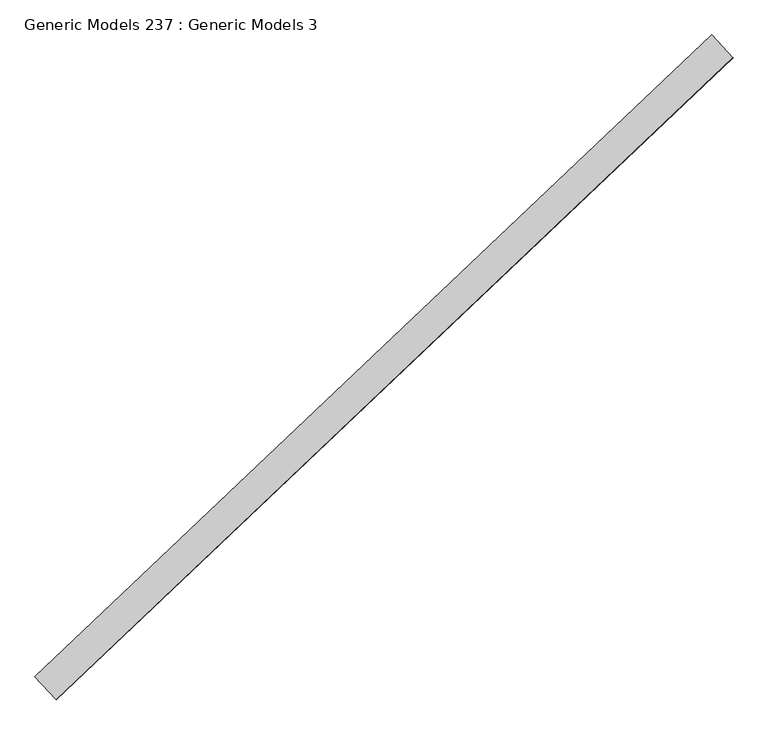
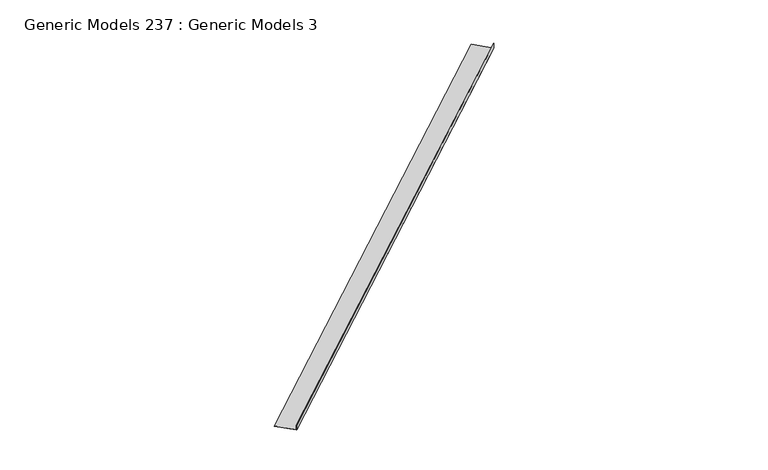
"""IFC4 building model written with IfcOpenShell, lengths in millimetres: proxy geometry, Generic Models 237 : Generic Models 3."""

from ifc_helpers import new_model, si_unit, frame, origin, place, context, project, spatial, polyline, outline, extrude, source, transform, mapped, element, save


def generic_models_237_generic_models_3_32182821(model_context):
    return source(origin(), model_context, "Body", "SweptSolid", [
        extrude(outline(polyline([(-16.9283255, 0.0), (-16.9283255, -1.5875), (-95.823816, -1.5875), (-95.823816, -310.663102), (-97.411316, -310.663102), (-97.411316, 0.0), (-16.9283255, 0.0)])), frame((103195.5996488, 41002.4240802, 18110.1040325), z_axis=(0.7253743710122779, 0.6883545756937643, 0.0), x_axis=(0.0, 0.0, 1.0)), (0.0, 0.0, 1.0), 9239.25),
    ])


if __name__ == "__main__":
    model = new_model("IFC4")
    model_context = context("Model", 3, world=origin())
    ifc_project = project(units=[si_unit("LENGTHUNIT", "METRE", prefix="MILLI")], contexts=[model_context])
    site = spatial("IfcSite", under=ifc_project)
    building = spatial("IfcBuilding", under=site)
    placement = place(None, origin())
    generic_models_237_generic_models_3_shape = generic_models_237_generic_models_3_32182821(model_context)
    element("IfcBuildingElementProxy", 1, Name="Generic Models 237 : Generic Models 3", ObjectType="Generic Models 237 : Generic Models 3", at=placement, inside=building, context=model_context, shape_type="MappedRepresentation", body=[
        mapped(generic_models_237_generic_models_3_shape, transform((0.0, 0.0, 0.0), x_axis=(1.0, 0.0, 0.0), y_axis=(0.0, 1.0, 0.0), z_axis=(0.0, 0.0, 1.0))),
    ])
    save(model, "model.ifc")
